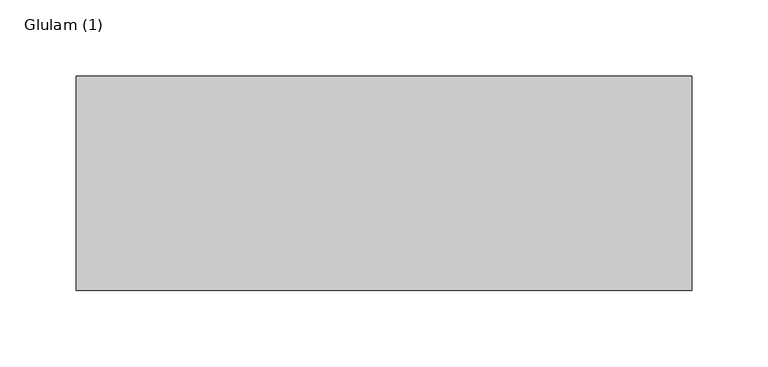
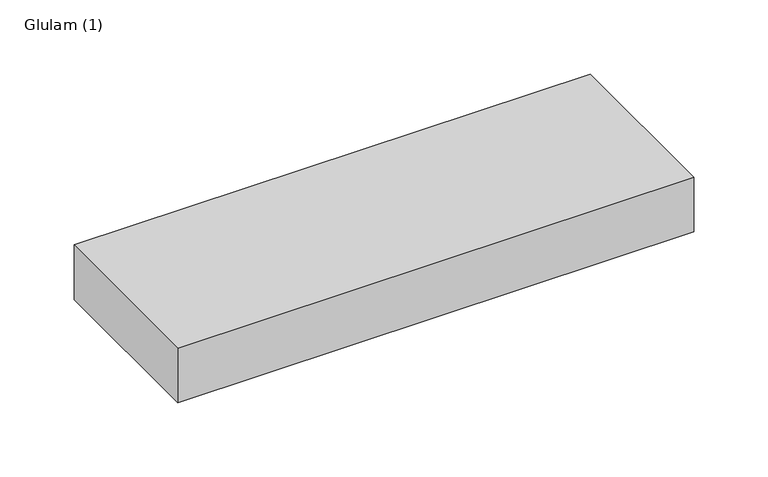
"""IFC4 building model written with IfcOpenShell, lengths in millimetres: beam geometry, Glulam (1)."""

from ifc_helpers import new_model, si_unit, frame, origin, place, context, project, spatial, polyline, outline, extrude, source, transform, mapped, element, save


def glulam_1_a33df1fd(model_context):
    return source(origin(), model_context, "Body", "SweptSolid", [
        extrude(outline(polyline([(215.0, 70.0), (215.0, -70.0), (-187.0, -70.0), (-187.0, 70.0), (215.0, 70.0)])), frame((0.0, 0.0, -22.5), z_axis=(0.0, 0.0, 1.0), x_axis=(1.0, 0.0, 0.0)), (0.0, 0.0, 1.0), 45.0),
    ])


if __name__ == "__main__":
    model = new_model("IFC4")
    model_context = context("Model", 3, world=origin())
    ifc_project = project(units=[si_unit("LENGTHUNIT", "METRE", prefix="MILLI")], contexts=[model_context])
    site = spatial("IfcSite", under=ifc_project)
    building = spatial("IfcBuilding", under=site)
    placement = place(None, origin())
    glulam_1_shape = glulam_1_a33df1fd(model_context)
    element("IfcBeam", 1, ObjectType="Glulam (1)", at=placement, inside=building, context=model_context, shape_type="MappedRepresentation", body=[
        mapped(glulam_1_shape, transform((0.0, 0.0, 0.0), x_axis=(1.0, 0.0, 0.0), y_axis=(0.0, 1.0, 0.0), z_axis=(0.0, 0.0, 1.0))),
    ])
    save(model, "model.ifc")
